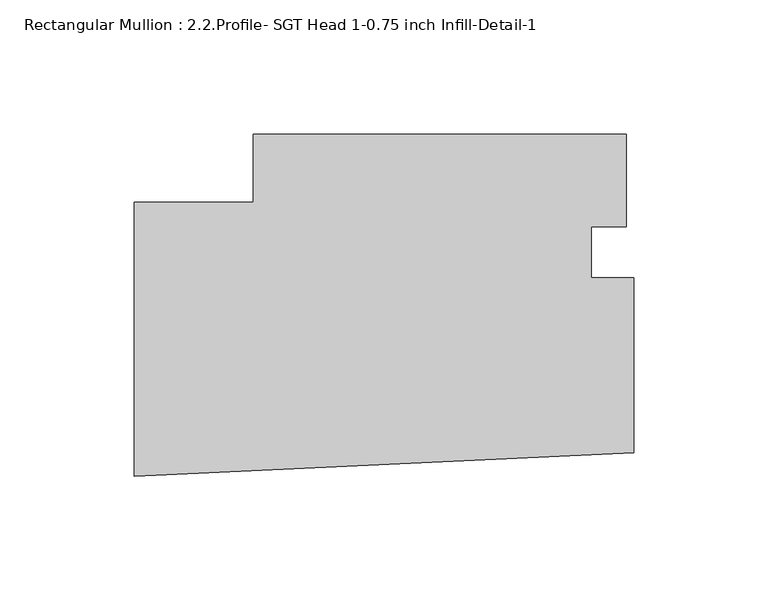
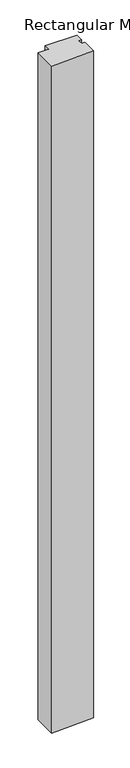
"""IFC4 building model written with IfcOpenShell, lengths in millimetres: member geometry, Rectangular Mullion : 2.2.Profile- SGT Head 1-0.75 inch Infill-Detail-1."""

from ifc_helpers import new_model, si_unit, frame, origin, place, context, project, spatial, polyline, outline, extrude, source, transform, mapped, element, save


def rectangular_mullion_2_2_profile_sgt_head_1_0_75_inch_infill_2c8a3686(model_context):
    return source(origin(), model_context, "Body", "SweptSolid", [
        extrude(outline(polyline([(-142.022756, 76.5215445), (-2.8312008, 76.5215445), (-2.8312008, 42.0304336), (-15.875, 42.0304336), (-15.875, 22.969913), (0.0, 22.969913), (0.0, -42.3122477), (-186.4732008, -51.1216577), (-186.4732008, 51.1216577), (-142.022756, 51.1216577), (-142.022756, 76.5215445)])), frame((0.0, 0.0, -3048.0), z_axis=(0.0, 0.0, 1.0), x_axis=(1.0, 0.0, 0.0)), (0.0, 0.0, 1.0), 3048.0),
    ])


if __name__ == "__main__":
    model = new_model("IFC4")
    model_context = context("Model", 3, world=origin())
    ifc_project = project(units=[si_unit("LENGTHUNIT", "METRE", prefix="MILLI")], contexts=[model_context])
    site = spatial("IfcSite", under=ifc_project)
    building = spatial("IfcBuilding", under=site)
    placement = place(None, origin())
    rectangular_mullion_2_2_profile_sgt_head_1_0_75_inch_infill_shape = rectangular_mullion_2_2_profile_sgt_head_1_0_75_inch_infill_2c8a3686(model_context)
    element("IfcMember", 1, ObjectType="Rectangular Mullion : 2.2.Profile- SGT Head 1-0.75 inch Infill-Detail-1", at=placement, inside=building, context=model_context, shape_type="MappedRepresentation", body=[
        mapped(rectangular_mullion_2_2_profile_sgt_head_1_0_75_inch_infill_shape, transform((0.0, 0.0, 0.0), x_axis=(1.0, 0.0, 0.0), y_axis=(0.0, 1.0, 0.0), z_axis=(0.0, 0.0, 1.0))),
    ])
    save(model, "model.ifc")
